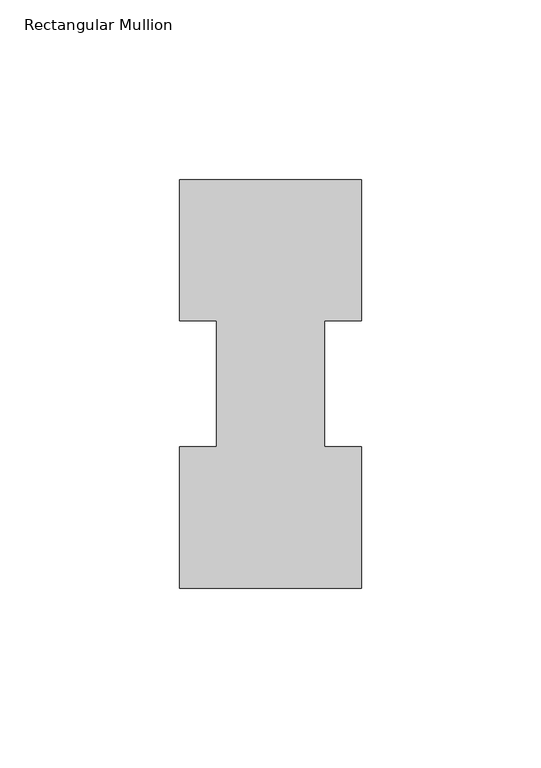
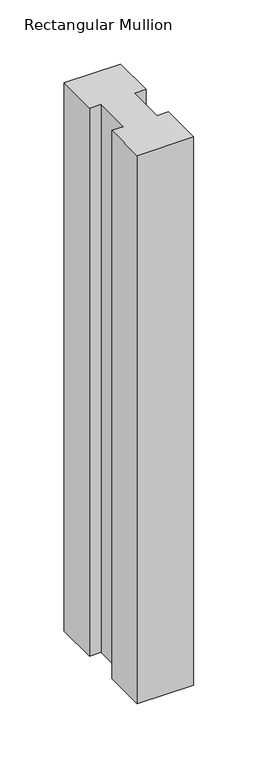
"""IFC4 building model written with IfcOpenShell, lengths in millimetres: member geometry, Rectangular Mullion."""

from ifc_helpers import new_model, si_unit, frame, origin, place, context, project, spatial, polyline, outline, extrude, source, transform, mapped, element, save


def rectangular_mullion_8cf60fce(model_context):
    return source(origin(), model_context, "Body", "SweptSolid", [
        extrude(outline(polyline([(-50.8, 114.017425), (0.0, 114.017425), (0.0, 74.622025), (-10.3124046, 74.622025), (-10.3124046, 39.646225), (0.0, 39.646225), (0.0, 0.225425), (-50.8, 0.225425), (-50.8, 39.646225), (-40.4875954, 39.646225), (-40.4875954, 74.622025), (-50.8, 74.622025), (-50.8, 114.017425)])), frame((0.0, 0.0, -520.7), z_axis=(0.0, 0.0, 1.0), x_axis=(1.0, 0.0, 0.0)), (0.0, 0.0, 1.0), 520.7),
    ])


if __name__ == "__main__":
    model = new_model("IFC4")
    model_context = context("Model", 3, world=origin())
    ifc_project = project(units=[si_unit("LENGTHUNIT", "METRE", prefix="MILLI")], contexts=[model_context])
    site = spatial("IfcSite", under=ifc_project)
    building = spatial("IfcBuilding", under=site)
    placement = place(None, origin())
    rectangular_mullion_shape = rectangular_mullion_8cf60fce(model_context)
    element("IfcMember", 1, ObjectType="Rectangular Mullion", at=placement, inside=building, context=model_context, shape_type="MappedRepresentation", body=[
        mapped(rectangular_mullion_shape, transform((0.0, 0.0, 0.0), x_axis=(1.0, 0.0, 0.0), y_axis=(0.0, 1.0, 0.0), z_axis=(0.0, 0.0, 1.0))),
    ])
    save(model, "model.ifc")
